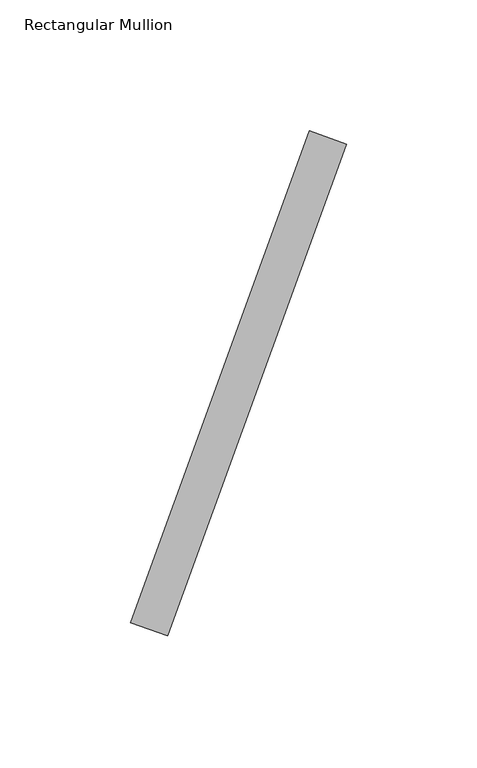
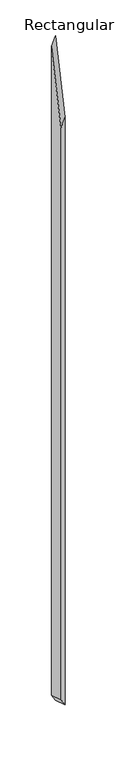
"""IFC4 building model written with IfcOpenShell, lengths in millimetres: member geometry, Rectangular Mullion."""

from ifc_helpers import new_model, si_unit, origin, place, context, project, spatial, faceted_brep, source, transform, mapped, element, save


def rectangular_mullion_0cf67076(model_context):
    return source(origin(), model_context, "Body", "Brep", [
        faceted_brep([(17.193429, 47.2385578, 54.6342506), (3.0980396, 52.36886, 9.8444048), (3.0980396, 52.36886, -2473.9262695), (17.193429, 47.2385578, -2498.2406312), (85.5974576, 235.177082, 271.9965263), (85.5974576, 235.177082, -2616.2366838), (71.5020683, 240.3073841, 227.2066805), (71.5020683, 240.3073841, -2591.9223221)], [[[0, 1, 2, 3]], [[4, 0, 3, 5]], [[6, 4, 5, 7]], [[1, 6, 7, 2]], [[1, 0, 4, 6]], [[2, 7, 5, 3]]]),
    ])


if __name__ == "__main__":
    model = new_model("IFC4")
    model_context = context("Model", 3, world=origin())
    ifc_project = project(units=[si_unit("LENGTHUNIT", "METRE", prefix="MILLI")], contexts=[model_context])
    site = spatial("IfcSite", under=ifc_project)
    building = spatial("IfcBuilding", under=site)
    placement = place(None, origin())
    rectangular_mullion_shape = rectangular_mullion_0cf67076(model_context)
    element("IfcMember", 1, ObjectType="Rectangular Mullion", at=placement, inside=building, context=model_context, shape_type="MappedRepresentation", body=[
        mapped(rectangular_mullion_shape, transform((0.0, 0.0, 0.0), x_axis=(1.0, 0.0, 0.0), y_axis=(0.0, 1.0, 0.0), z_axis=(0.0, 0.0, 1.0))),
    ])
    save(model, "model.ifc")
